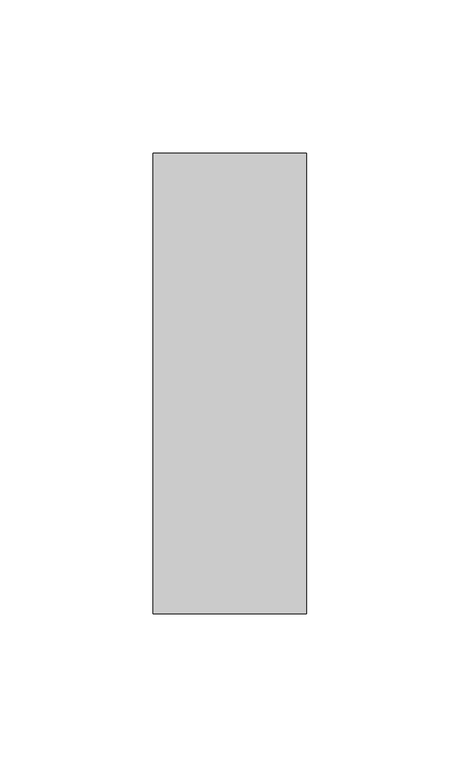
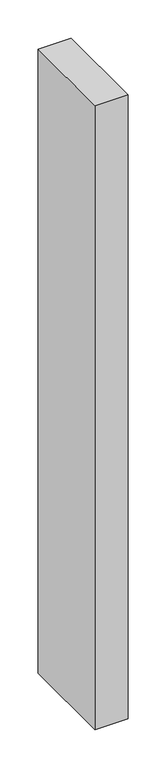
"""IFC4 building model written with IfcOpenShell, lengths in millimetres: member geometry."""

import ifcopenshell
import ifcopenshell.guid

model = None  # the IFC model being written
_history = None  # IfcOwnerHistory: only IFC2X3 demands one
_inside = {}  # id of a spatial element -> (the spatial element, [elements in it])
_under = {}  # id of a project, library or spatial element -> (it, [spatial elements below it])
_declared = {}  # id of a project -> (the project, [libraries it declares])
_typed = {}  # id of a type object -> (the type object, [elements of that type])
_made_of = {}  # id of a material, layer set ... -> (it, [elements and type objects made of it])


def new_model(schema):
    """Start an empty IFC model of exactly this schema.

    Asked for "IFC4X3", IfcOpenShell would pick the latest addendum, in which some entities
    have other attributes; the version numbers below select the first issue.
    IFC2X3 requires an IfcOwnerHistory on every rooted entity: one is made here for all.
    """
    global model, _history
    if schema == "IFC4X3":
        model = ifcopenshell.file(schema_version=(4, 3, 0, 0))
    else:
        model = ifcopenshell.file(schema=schema)
    _inside.clear()
    _under.clear()
    _declared.clear()
    _typed.clear()
    _made_of.clear()
    _history = None
    if model.schema == "IFC2X3":
        org = make("IfcOrganization", Name="unknown")
        user = make(
            "IfcPersonAndOrganization",
            ThePerson=make("IfcPerson", FamilyName="unknown"),
            TheOrganization=org,
        )
        app = make(
            "IfcApplication",
            ApplicationDeveloper=org,
            Version="unknown",
            ApplicationFullName="unknown",
            ApplicationIdentifier="unknown",
        )
        _history = make(
            "IfcOwnerHistory",
            OwningUser=user,
            OwningApplication=app,
            ChangeAction="ADDED",
            CreationDate=0,
        )
    return model


def make(cls, **values):
    """One entity of the class cls with the attributes given. An attribute that is None is left unset."""
    return model.create_entity(
        cls, **{name: value for name, value in values.items() if value is not None}
    )


def rooted(cls, **values):
    """An entity with a GlobalId (a new one), such as an element, a storey or a relation."""
    return make(cls, GlobalId=ifcopenshell.guid.new(), OwnerHistory=_history, **values)


def si_unit(unit_type, name, prefix=None):
    """IfcSIUnit, for example si_unit("LENGTHUNIT", "METRE", prefix="MILLI")."""
    return make("IfcSIUnit", UnitType=unit_type, Prefix=prefix, Name=name)


def assignment(units):
    """IfcUnitAssignment: the units of a project."""
    return None if units is None else make("IfcUnitAssignment", Units=units)


def point(xyz):
    """IfcCartesianPoint."""
    return None if xyz is None else make("IfcCartesianPoint", Coordinates=xyz)


def direction(xyz):
    """IfcDirection."""
    return None if xyz is None else make("IfcDirection", DirectionRatios=xyz)


def frame(location, z_axis=None, x_axis=None):
    """IfcAxis2Placement3D, a coordinate frame: its origin and axes. An axis left out is left unset."""
    return make(
        "IfcAxis2Placement3D",
        Location=point(location),
        Axis=direction(z_axis),
        RefDirection=direction(x_axis),
    )


def origin():
    """The frame at (0, 0, 0) with its axes left unset."""
    return frame((0.0, 0.0, 0.0))


def place(relative_to, where):
    """IfcLocalPlacement: puts the frame where relative to a parent placement (None: the world)."""
    return make(
        "IfcLocalPlacement", PlacementRelTo=relative_to, RelativePlacement=where
    )


def context(
    kind, dimensions, precision=None, world=None, true_north=None, identifier=None
):
    """IfcGeometricRepresentationContext, for example the 3D "Model" context."""
    return make(
        "IfcGeometricRepresentationContext",
        ContextIdentifier=identifier,
        ContextType=kind,
        CoordinateSpaceDimension=dimensions,
        Precision=precision,
        WorldCoordinateSystem=world,
        TrueNorth=true_north,
    )


def project(units=None, contexts=None):
    """IfcProject with its units and contexts."""
    return rooted(
        "IfcProject",
        Name="project",
        RepresentationContexts=contexts,
        UnitsInContext=assignment(units),
    )


def spatial(cls, under=None, at=None, **own):
    """A site, building, storey or space (cls), placed at a placement, below another one or the project."""
    s = rooted(cls, ObjectPlacement=at, **own)
    if under is not None:
        _under.setdefault(under.id(), (under, []))[1].append(s)
    return s


def polyline(points):
    """IfcPolyline through the points."""
    return make("IfcPolyline", Points=[point(p) for p in points])


def outline(outer, holes=None, kind="AREA"):
    """IfcArbitraryClosedProfileDef: a profile drawn as a closed curve; with holes, ...WithVoids."""
    if holes is None:
        return make("IfcArbitraryClosedProfileDef", ProfileType=kind, OuterCurve=outer)
    return make(
        "IfcArbitraryProfileDefWithVoids",
        ProfileType=kind,
        OuterCurve=outer,
        InnerCurves=holes,
    )


def extrude(swept, where, along, depth):
    """IfcExtrudedAreaSolid: the profile swept, set in the frame where, extruded along a direction by depth."""
    return make(
        "IfcExtrudedAreaSolid",
        SweptArea=swept,
        Position=where,
        ExtrudedDirection=direction(along),
        Depth=depth,
    )


def shape(context_of_items, identifier, shape_type, items):
    """IfcShapeRepresentation: the items that make up one representation, for example the "Body"."""
    return make(
        "IfcShapeRepresentation",
        ContextOfItems=context_of_items,
        RepresentationIdentifier=identifier,
        RepresentationType=shape_type,
        Items=items,
    )


def source(mapping_origin, context_of_items, identifier, shape_type, items):
    """IfcRepresentationMap: a shape defined once, which mapped items show again and again."""
    return make(
        "IfcRepresentationMap",
        MappingOrigin=mapping_origin,
        MappedRepresentation=shape(context_of_items, identifier, shape_type, items),
    )


def transform(
    local_origin,
    x_axis=None,
    y_axis=None,
    z_axis=None,
    scale=None,
    scale2=None,
    scale3=None,
    uniform=True,
):
    """IfcCartesianTransformationOperator3D, or its non-uniform kind. x_axis, y_axis, z_axis: its Axis1, 2, 3."""
    if uniform:
        return make(
            "IfcCartesianTransformationOperator3D",
            Axis1=direction(x_axis),
            Axis2=direction(y_axis),
            LocalOrigin=point(local_origin),
            Scale=scale,
            Axis3=direction(z_axis),
        )
    return make(
        "IfcCartesianTransformationOperator3DnonUniform",
        Axis1=direction(x_axis),
        Axis2=direction(y_axis),
        LocalOrigin=point(local_origin),
        Scale=scale,
        Axis3=direction(z_axis),
        Scale2=scale2,
        Scale3=scale3,
    )


def mapped(mapping_source, mapping_target):
    """IfcMappedItem: shows the shape of a source again, moved by a transform."""
    return make(
        "IfcMappedItem", MappingSource=mapping_source, MappingTarget=mapping_target
    )


def made_of(thing, what):
    """Note that an element or type object is made of a material, layer set ...; save() writes the relation."""
    if what is not None:
        _made_of.setdefault(what.id(), (what, []))[1].append(thing)
    return thing


def element(
    cls,
    number,
    at=None,
    inside=None,
    cuts=None,
    type_object=None,
    material=None,
    context=None,
    identifier="Body",
    shape_type=None,
    held_by="IfcProductDefinitionShape",
    body=None,
    shapes=None,
    **own,
):
    """One element of the class cls, such as IfcWall. Its Tag is "e" and its number.

    at: its placement. inside: the storey or other place that contains it. cuts: it is an
    opening in that element (IfcRelVoidsElement). A single representation is given by context,
    identifier, shape_type and body (its items); several are given by shapes. held_by: the class
    of the entity that holds the representations. save() writes the other relations.
    """
    e = rooted(cls, Tag="e%d" % number, ObjectPlacement=at, **own)
    if body is not None:
        shapes = [shape(context, identifier, shape_type, body)]
    if shapes is not None:
        e.Representation = make(held_by, Representations=shapes)
    if inside is not None:
        _inside.setdefault(inside.id(), (inside, []))[1].append(e)
    if cuts is not None:
        rooted(
            "IfcRelVoidsElement", RelatingBuildingElement=cuts, RelatedOpeningElement=e
        )
    if type_object is not None:
        _typed.setdefault(type_object.id(), (type_object, []))[1].append(e)
    return made_of(e, material)


def aggregate(whole, parts):
    """IfcRelAggregates: a whole, such as a stair, and the parts it consists of."""
    return rooted("IfcRelAggregates", RelatingObject=whole, RelatedObjects=parts)


def save(model, path):
    """Write the relations noted so far, then the file.

    IfcRelAggregates (storeys below a building ...), IfcRelContainedInSpatialStructure (elements
    in a storey), IfcRelDefinesByType, IfcRelAssociatesMaterial and IfcRelDeclares: one each for
    every whole, place, type object, material and project.
    """
    for whole, parts in _under.values():
        aggregate(whole, parts)
    for where, things in _inside.values():
        rooted(
            "IfcRelContainedInSpatialStructure",
            RelatedElements=things,
            RelatingStructure=where,
        )
    for kind, things in _typed.values():
        rooted("IfcRelDefinesByType", RelatedObjects=things, RelatingType=kind)
    for what, things in _made_of.values():
        rooted("IfcRelAssociatesMaterial", RelatedObjects=things, RelatingMaterial=what)
    for by, libraries in _declared.values():
        rooted("IfcRelDeclares", RelatingContext=by, RelatedDefinitions=libraries)
    model.write(path)


def member_eeb88b28(model_context):
    return source(origin(), model_context, "Body", "SweptSolid", [
        extrude(outline(polyline([(0.0, 75.0), (0.0, -75.0), (-50.0, -75.0), (-50.0, 75.0), (0.0, 75.0)])), frame((0.0, 0.0, -1000.0), z_axis=(0.0, 0.0, 1.0), x_axis=(1.0, 0.0, 0.0)), (0.0, 0.0, 1.0), 1000.0),
    ])


if __name__ == "__main__":
    model = new_model("IFC4")
    model_context = context("Model", 3, world=origin())
    ifc_project = project(units=[si_unit("LENGTHUNIT", "METRE", prefix="MILLI")], contexts=[model_context])
    site = spatial("IfcSite", under=ifc_project)
    building = spatial("IfcBuilding", under=site)
    placement = place(None, origin())
    member_shape = member_eeb88b28(model_context)
    element("IfcMember", 1, at=placement, inside=building, context=model_context, shape_type="MappedRepresentation", body=[
        mapped(member_shape, transform((0.0, 0.0, 0.0), x_axis=(1.0, 0.0, 0.0), y_axis=(0.0, 1.0, 0.0), z_axis=(0.0, 0.0, 1.0))),
    ])
    save(model, "model.ifc")
